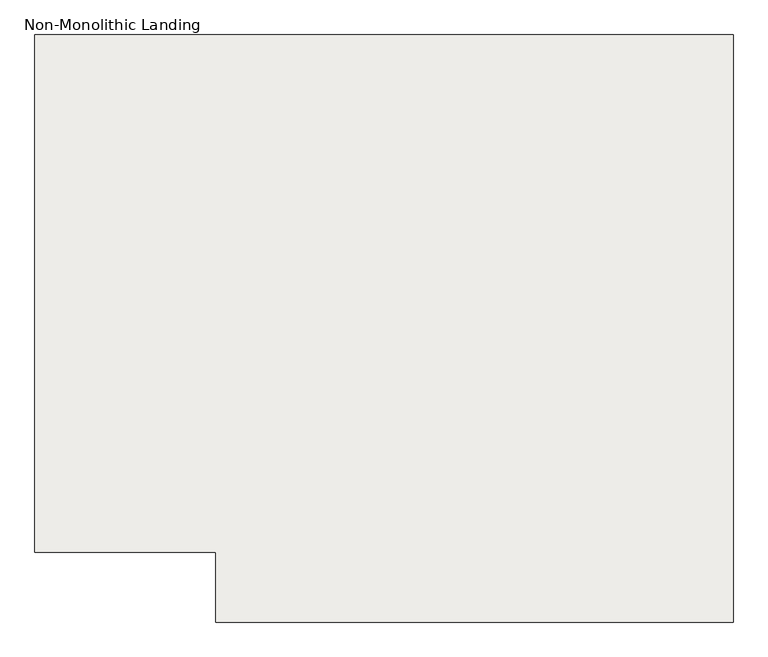
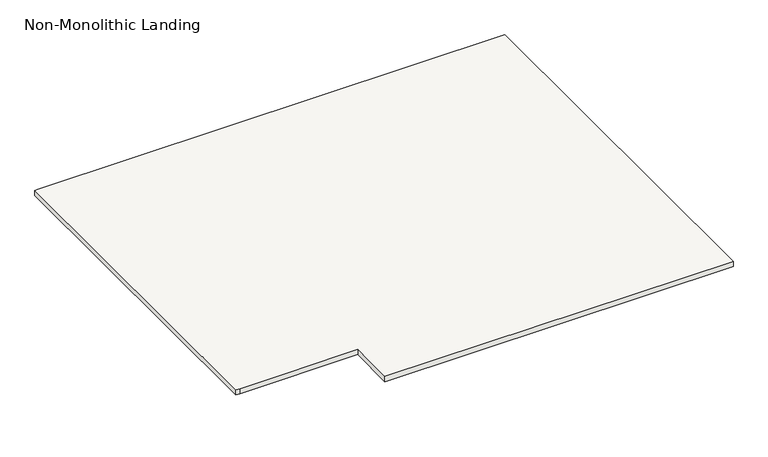
"""IFC4 building model written with IfcOpenShell, lengths in millimetres: slab geometry, Non-Monolithic Landing."""

from ifc_helpers import new_model, si_unit, frame, origin, place, context, project, spatial, polyline, outline, extrude, source, transform, mapped, element, save


def non_monolithic_landing_79ff4ece(model_context):
    return source(origin(), model_context, "Body", "SweptSolid", [
        extrude(outline(polyline([(-108966.6609455, 80648.2534734), (-108966.6609455, 80978.4395559), (-109795.0699606, 80978.4395559), (-109820.4699606, 80978.4395559), (-109820.4699606, 83416.8395559), (-109795.0699606, 83416.8395559), (-106528.2609455, 83416.8395559), (-106528.2609455, 80648.2534734), (-108966.6609455, 80648.2534734)])), frame((0.0, 0.0, 480.6461538), z_axis=(0.0, 0.0, 1.0), x_axis=(1.0, 0.0, 0.0)), (0.0, 0.0, 1.0), 38.1),
    ])


if __name__ == "__main__":
    model = new_model("IFC4")
    model_context = context("Model", 3, world=origin())
    ifc_project = project(units=[si_unit("LENGTHUNIT", "METRE", prefix="MILLI")], contexts=[model_context])
    site = spatial("IfcSite", under=ifc_project)
    building = spatial("IfcBuilding", under=site)
    placement = place(None, origin())
    non_monolithic_landing_shape = non_monolithic_landing_79ff4ece(model_context)
    element("IfcSlab", 1, ObjectType="Non-Monolithic Landing", at=placement, inside=building, context=model_context, shape_type="MappedRepresentation", body=[
        mapped(non_monolithic_landing_shape, transform((0.0, 0.0, 0.0), x_axis=(1.0, 0.0, 0.0), y_axis=(0.0, 1.0, 0.0), z_axis=(0.0, 0.0, 1.0))),
    ])
    save(model, "model.ifc")
